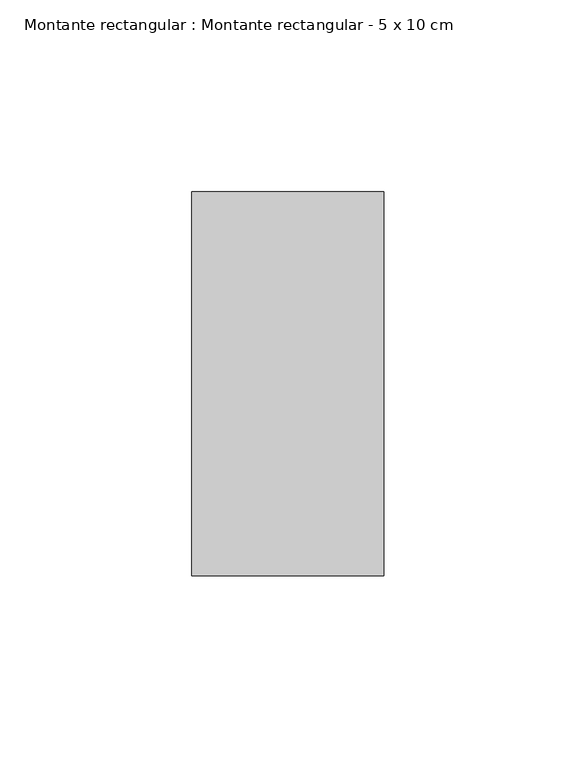
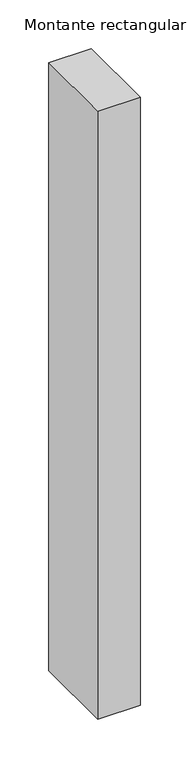
"""IFC4 building model written with IfcOpenShell, lengths in millimetres: member geometry, Montante rectangular : Montante rectangular - 5 x 10 cm."""

from ifc_helpers import new_model, si_unit, frame, origin, place, context, project, spatial, polyline, outline, extrude, source, transform, mapped, element, save


def montante_rectangular_montante_rectangular_5_x_10_cm_481cc47d(model_context):
    return source(origin(), model_context, "Body", "SweptSolid", [
        extrude(outline(polyline([(0.0, 50.0), (0.0, -50.0), (-50.0, -50.0), (-50.0, 50.0), (0.0, 50.0)])), frame((0.0, 0.0, -759.1056742), z_axis=(0.0, 0.0, 1.0), x_axis=(1.0, 0.0, 0.0)), (0.0, 0.0, 1.0), 759.1056742),
    ])


if __name__ == "__main__":
    model = new_model("IFC4")
    model_context = context("Model", 3, world=origin())
    ifc_project = project(units=[si_unit("LENGTHUNIT", "METRE", prefix="MILLI")], contexts=[model_context])
    site = spatial("IfcSite", under=ifc_project)
    building = spatial("IfcBuilding", under=site)
    placement = place(None, origin())
    montante_rectangular_montante_rectangular_5_x_10_cm_shape = montante_rectangular_montante_rectangular_5_x_10_cm_481cc47d(model_context)
    element("IfcMember", 1, ObjectType="Montante rectangular : Montante rectangular - 5 x 10 cm", at=placement, inside=building, context=model_context, shape_type="MappedRepresentation", body=[
        mapped(montante_rectangular_montante_rectangular_5_x_10_cm_shape, transform((0.0, 0.0, 0.0), x_axis=(1.0, 0.0, 0.0), y_axis=(0.0, 1.0, 0.0), z_axis=(0.0, 0.0, 1.0))),
    ])
    save(model, "model.ifc")
